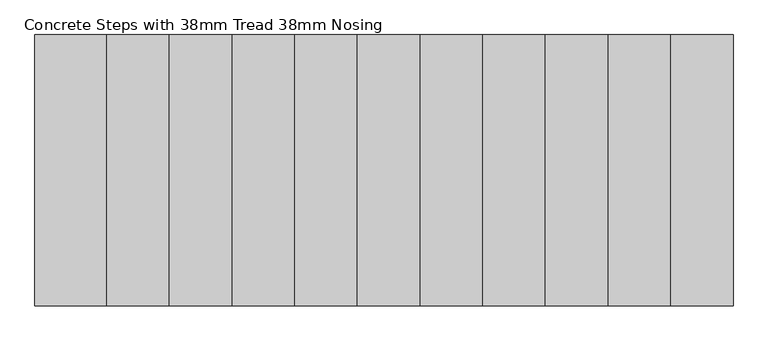
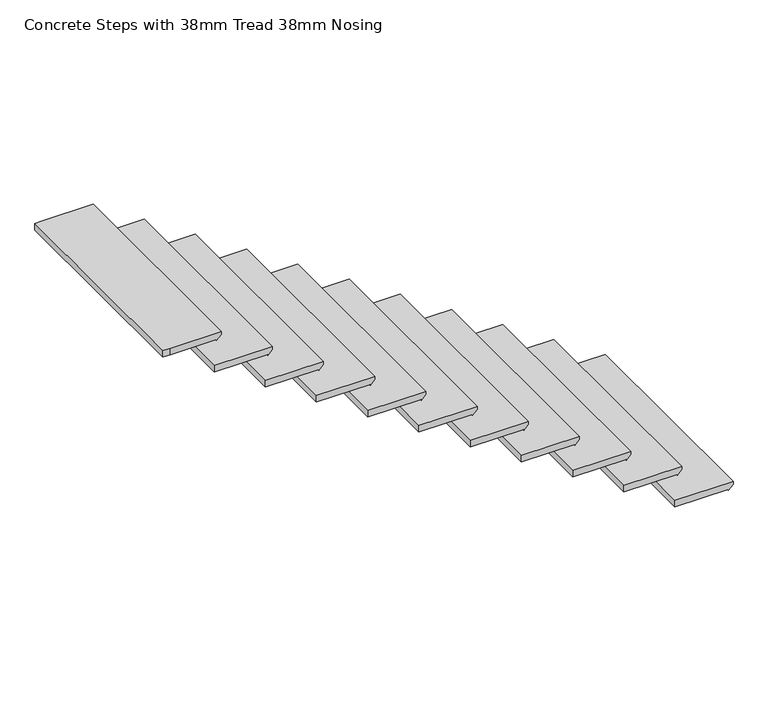
"""IFC4 building model written with IfcOpenShell, lengths in millimetres: stair flight geometry, Concrete Steps with 38mm Tread 38mm Nosing."""

from ifc_helpers import new_model, si_unit, origin, place, context, project, spatial, faceted_brep, source, transform, mapped, element, save


def concrete_steps_with_38mm_tread_38mm_nosing_0604b0b8(model_context):
    return source(origin(), model_context, "Body", "Brep", [
        faceted_brep([(23578.7264359, 8394.9304572, 184.7619048), (23578.7264359, 9606.9304572, 184.7619048), (23260.7264359, 9606.9304572, 184.7619048), (23260.7264359, 8394.9304572, 184.7619048), (23553.3264359, 8394.9304572, 146.7619048), (23260.7264359, 8394.9304572, 146.7619048), (23260.7264359, 9606.9304572, 146.7619048), (23553.3264359, 9606.9304572, 146.7619048), (23553.3264359, 8394.9304572, 140.3119048), (23578.7264359, 8394.9304572, 165.7119048), (23578.7264359, 9606.9304572, 165.7119048), (23553.3264359, 9606.9304572, 140.3119048)], [[[0, 1, 2, 3]], [[4, 5, 6, 7]], [[0, 3, 5, 4, 8, 9]], [[2, 1, 10, 11, 7, 6]], [[3, 2, 6, 5]], [[10, 1, 0, 9]], [[11, 10, 9, 8]], [[11, 8, 4, 7]]]),
        faceted_brep([(23298.7264359, 8394.9304572, 369.5238095), (23298.7264359, 9606.9304572, 369.5238095), (22980.7264359, 9606.9304572, 369.5238095), (22980.7264359, 8394.9304572, 369.5238095), (23273.3264359, 8394.9304572, 331.5238095), (22980.7264359, 8394.9304572, 331.5238095), (22980.7264359, 9606.9304572, 331.5238095), (23273.3264359, 9606.9304572, 331.5238095), (23273.3264359, 8394.9304572, 325.0738095), (23298.7264359, 8394.9304572, 350.4738095), (23298.7264359, 9606.9304572, 350.4738095), (23273.3264359, 9606.9304572, 325.0738095)], [[[0, 1, 2, 3]], [[4, 5, 6, 7]], [[0, 3, 5, 4, 8, 9]], [[2, 1, 10, 11, 7, 6]], [[3, 2, 6, 5]], [[10, 1, 0, 9]], [[11, 10, 9, 8]], [[11, 8, 4, 7]]]),
        faceted_brep([(23018.7264359, 8394.9304572, 554.2857143), (23018.7264359, 9606.9304572, 554.2857143), (22700.7264359, 9606.9304572, 554.2857143), (22700.7264359, 8394.9304572, 554.2857143), (22993.3264359, 8394.9304572, 516.2857143), (22700.7264359, 8394.9304572, 516.2857143), (22700.7264359, 9606.9304572, 516.2857143), (22993.3264359, 9606.9304572, 516.2857143), (22993.3264359, 8394.9304572, 509.8357143), (23018.7264359, 8394.9304572, 535.2357143), (23018.7264359, 9606.9304572, 535.2357143), (22993.3264359, 9606.9304572, 509.8357143)], [[[0, 1, 2, 3]], [[4, 5, 6, 7]], [[0, 3, 5, 4, 8, 9]], [[2, 1, 10, 11, 7, 6]], [[3, 2, 6, 5]], [[10, 1, 0, 9]], [[11, 10, 9, 8]], [[11, 8, 4, 7]]]),
        faceted_brep([(22738.7264359, 8394.9304572, 739.047619), (22738.7264359, 9606.9304572, 739.047619), (22420.7264359, 9606.9304572, 739.047619), (22420.7264359, 8394.9304572, 739.047619), (22713.3264359, 8394.9304572, 701.047619), (22420.7264359, 8394.9304572, 701.047619), (22420.7264359, 9606.9304572, 701.047619), (22713.3264359, 9606.9304572, 701.047619), (22713.3264359, 8394.9304572, 694.597619), (22738.7264359, 8394.9304572, 719.997619), (22738.7264359, 9606.9304572, 719.997619), (22713.3264359, 9606.9304572, 694.597619)], [[[0, 1, 2, 3]], [[4, 5, 6, 7]], [[0, 3, 5, 4, 8, 9]], [[2, 1, 10, 11, 7, 6]], [[3, 2, 6, 5]], [[10, 1, 0, 9]], [[11, 10, 9, 8]], [[11, 8, 4, 7]]]),
        faceted_brep([(22458.7264359, 8394.9304572, 923.8095238), (22458.7264359, 9606.9304572, 923.8095238), (22140.7264359, 9606.9304572, 923.8095238), (22140.7264359, 8394.9304572, 923.8095238), (22433.3264359, 8394.9304572, 885.8095238), (22140.7264359, 8394.9304572, 885.8095238), (22140.7264359, 9606.9304572, 885.8095238), (22433.3264359, 9606.9304572, 885.8095238), (22433.3264359, 8394.9304572, 879.3595238), (22458.7264359, 8394.9304572, 904.7595238), (22458.7264359, 9606.9304572, 904.7595238), (22433.3264359, 9606.9304572, 879.3595238)], [[[0, 1, 2, 3]], [[4, 5, 6, 7]], [[0, 3, 5, 4, 8, 9]], [[2, 1, 10, 11, 7, 6]], [[3, 2, 6, 5]], [[10, 1, 0, 9]], [[11, 10, 9, 8]], [[11, 8, 4, 7]]]),
        faceted_brep([(22178.7264359, 8394.9304572, 1108.5714286), (22178.7264359, 9606.9304572, 1108.5714286), (21860.7264359, 9606.9304572, 1108.5714286), (21860.7264359, 8394.9304572, 1108.5714286), (22153.3264359, 8394.9304572, 1070.5714286), (21860.7264359, 8394.9304572, 1070.5714286), (21860.7264359, 9606.9304572, 1070.5714286), (22153.3264359, 9606.9304572, 1070.5714286), (22153.3264359, 8394.9304572, 1064.1214286), (22178.7264359, 8394.9304572, 1089.5214286), (22178.7264359, 9606.9304572, 1089.5214286), (22153.3264359, 9606.9304572, 1064.1214286)], [[[0, 1, 2, 3]], [[4, 5, 6, 7]], [[0, 3, 5, 4, 8, 9]], [[2, 1, 10, 11, 7, 6]], [[3, 2, 6, 5]], [[10, 1, 0, 9]], [[11, 10, 9, 8]], [[11, 8, 4, 7]]]),
        faceted_brep([(21898.7264359, 8394.9304572, 1293.3333333), (21898.7264359, 9606.9304572, 1293.3333333), (21580.7264359, 9606.9304572, 1293.3333333), (21580.7264359, 8394.9304572, 1293.3333333), (21873.3264359, 8394.9304572, 1255.3333333), (21580.7264359, 8394.9304572, 1255.3333333), (21580.7264359, 9606.9304572, 1255.3333333), (21873.3264359, 9606.9304572, 1255.3333333), (21873.3264359, 8394.9304572, 1248.8833333), (21898.7264359, 8394.9304572, 1274.2833333), (21898.7264359, 9606.9304572, 1274.2833333), (21873.3264359, 9606.9304572, 1248.8833333)], [[[0, 1, 2, 3]], [[4, 5, 6, 7]], [[0, 3, 5, 4, 8, 9]], [[2, 1, 10, 11, 7, 6]], [[3, 2, 6, 5]], [[10, 1, 0, 9]], [[11, 10, 9, 8]], [[11, 8, 4, 7]]]),
        faceted_brep([(21618.7264359, 8394.9304572, 1478.0952381), (21618.7264359, 9606.9304572, 1478.0952381), (21300.7264359, 9606.9304572, 1478.0952381), (21300.7264359, 8394.9304572, 1478.0952381), (21593.3264359, 8394.9304572, 1440.0952381), (21300.7264359, 8394.9304572, 1440.0952381), (21300.7264359, 9606.9304572, 1440.0952381), (21593.3264359, 9606.9304572, 1440.0952381), (21593.3264359, 8394.9304572, 1433.6452381), (21618.7264359, 8394.9304572, 1459.0452381), (21618.7264359, 9606.9304572, 1459.0452381), (21593.3264359, 9606.9304572, 1433.6452381)], [[[0, 1, 2, 3]], [[4, 5, 6, 7]], [[0, 3, 5, 4, 8, 9]], [[2, 1, 10, 11, 7, 6]], [[3, 2, 6, 5]], [[10, 1, 0, 9]], [[11, 10, 9, 8]], [[11, 8, 4, 7]]]),
        faceted_brep([(21338.7264359, 8394.9304572, 1662.8571429), (21338.7264359, 9606.9304572, 1662.8571429), (21020.7264359, 9606.9304572, 1662.8571429), (21020.7264359, 8394.9304572, 1662.8571429), (21313.3264359, 8394.9304572, 1624.8571429), (21020.7264359, 8394.9304572, 1624.8571429), (21020.7264359, 9606.9304572, 1624.8571429), (21313.3264359, 9606.9304572, 1624.8571429), (21313.3264359, 8394.9304572, 1618.4071429), (21338.7264359, 8394.9304572, 1643.8071429), (21338.7264359, 9606.9304572, 1643.8071429), (21313.3264359, 9606.9304572, 1618.4071429)], [[[0, 1, 2, 3]], [[4, 5, 6, 7]], [[0, 3, 5, 4, 8, 9]], [[2, 1, 10, 11, 7, 6]], [[3, 2, 6, 5]], [[10, 1, 0, 9]], [[11, 10, 9, 8]], [[11, 8, 4, 7]]]),
        faceted_brep([(21058.7264359, 8394.9304572, 1847.6190476), (21058.7264359, 9606.9304572, 1847.6190476), (20740.7264359, 9606.9304572, 1847.6190476), (20740.7264359, 8394.9304572, 1847.6190476), (21033.3264359, 8394.9304572, 1809.6190476), (20740.7264359, 8394.9304572, 1809.6190476), (20740.7264359, 9606.9304572, 1809.6190476), (21033.3264359, 9606.9304572, 1809.6190476), (21033.3264359, 8394.9304572, 1803.1690476), (21058.7264359, 8394.9304572, 1828.5690476), (21058.7264359, 9606.9304572, 1828.5690476), (21033.3264359, 9606.9304572, 1803.1690476)], [[[0, 1, 2, 3]], [[4, 5, 6, 7]], [[0, 3, 5, 4, 8, 9]], [[2, 1, 10, 11, 7, 6]], [[3, 2, 6, 5]], [[10, 1, 0, 9]], [[11, 10, 9, 8]], [[11, 8, 4, 7]]]),
        faceted_brep([(20460.7264359, 8394.9304572, 2032.3809524), (20498.7264359, 8394.9304572, 2032.3809524), (20778.7264359, 8394.9304572, 2032.3809524), (20778.7264359, 9606.9304572, 2032.3809524), (20498.7264359, 9606.9304572, 2032.3809524), (20460.7264359, 9606.9304572, 2032.3809524), (20498.7264359, 8394.9304572, 1994.3809524), (20460.7264359, 8394.9304572, 1994.3809524), (20460.7264359, 9606.9304572, 1994.3809524), (20498.7264359, 9606.9304572, 1994.3809524), (20753.3264359, 9606.9304572, 1994.3809524), (20753.3264359, 8394.9304572, 1994.3809524), (20778.7264359, 9606.9304572, 2013.3309524), (20753.3264359, 9606.9304572, 1987.9309524), (20778.7264359, 8394.9304572, 2013.3309524), (20753.3264359, 8394.9304572, 1987.9309524)], [[[0, 1, 2, 3, 4, 5]], [[6, 7, 8, 9, 10, 11]], [[1, 0, 7, 6]], [[4, 3, 12, 13, 10, 9]], [[0, 5, 8, 7]], [[12, 3, 2, 14]], [[13, 12, 14, 15]], [[13, 15, 11, 10]], [[2, 1, 6, 11, 15, 14]], [[5, 4, 9, 8]]]),
    ])


if __name__ == "__main__":
    model = new_model("IFC4")
    model_context = context("Model", 3, world=origin())
    ifc_project = project(units=[si_unit("LENGTHUNIT", "METRE", prefix="MILLI")], contexts=[model_context])
    site = spatial("IfcSite", under=ifc_project)
    building = spatial("IfcBuilding", under=site)
    placement = place(None, origin())
    concrete_steps_with_38mm_tread_38mm_nosing_shape = concrete_steps_with_38mm_tread_38mm_nosing_0604b0b8(model_context)
    element("IfcStairFlight", 1, ObjectType="Concrete Steps with 38mm Tread 38mm Nosing", at=placement, inside=building, context=model_context, shape_type="MappedRepresentation", body=[
        mapped(concrete_steps_with_38mm_tread_38mm_nosing_shape, transform((0.0, 0.0, 0.0), x_axis=(1.0, 0.0, 0.0), y_axis=(0.0, 1.0, 0.0), z_axis=(0.0, 0.0, 1.0))),
    ])
    save(model, "model.ifc")
